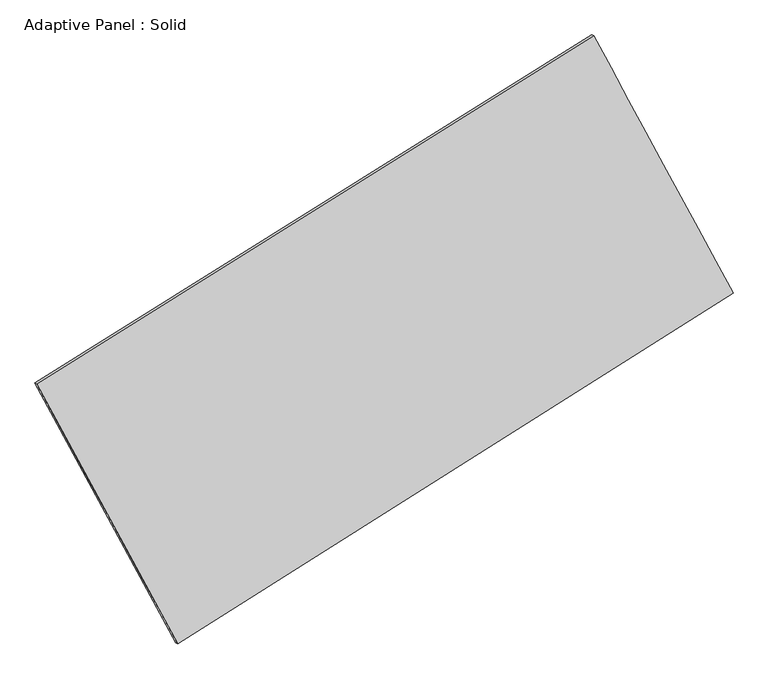
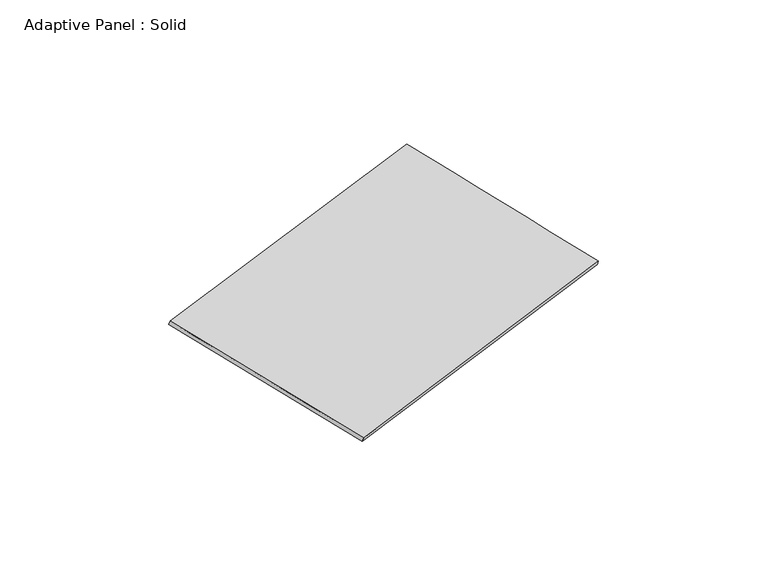
"""IFC4 building model written with IfcOpenShell, lengths in millimetres: plate geometry, Adaptive Panel : Solid."""

from ifc_helpers import new_model, si_unit, frame, origin, place, context, project, spatial, source, transform, mapped, element, save
from ifc_brep_helpers import plane_surface, spline_surface, advanced_brep


def adaptive_panel_solid_493219e2(model_context):
    return source(origin(), model_context, "Body", "AdvancedBrep", [
        advanced_brep(
        [(1182.9651763, 2572.7911217, 668.5132538), (-3719.3227006, -494.456085, 1763.2025222), (-3704.6563447, -500.8361785, 1810.5754303), (1197.6315321, 2566.4110283, 715.8861618), (-2477.7320889, -2782.8270662, 1080.5200432), (-2463.065733, -2789.2071597, 1127.8929513), (2410.799035, 304.2434567, -27.1132991), (2425.4653908, 297.8633633, 20.2596089)],
        [
            (0, 1),
            (1, 2),
            (2, 3),
            (3, 0),
            (1, 4),
            (4, 5),
            (5, 2),
            (4, 6),
            (6, 7),
            (7, 5),
            (6, 0),
            (3, 7),
        ],
        [
            plane_surface(frame((-1268.1787621, 1039.1675183, 1215.857888), z_axis=(-0.4700400761419873, 0.8437422446657874, 0.25915507208382693), x_axis=(-0.832947327760873, -0.5211557192537628, 0.18599856307271295))),
            plane_surface(frame((-3098.5273947, -1638.6415756, 1421.8612827), z_axis=(-0.8379155823238204, -0.511464219687458, 0.1905303883332864), x_axis=(0.46129832141087146, -0.8502171991584233, -0.2536426086419991))),
            plane_surface(frame((-33.4665269, -1239.2918048, 526.7033721), z_axis=(0.4728427107977396, -0.8419805638057274, -0.25978549039319865), x_axis=(0.830420354837742, 0.5244041889357264, -0.18815493854220686))),
            plane_surface(frame((1796.8821056, 1438.5172892, 320.6999774), z_axis=(0.8377297657836438, 0.5118071109084598, -0.1904266807556576), x_axis=(-0.4595766997520088, 0.8491145945578428, 0.26037216124985846))),
            spline_surface(1, 1, [[(-3704.6563447, -500.8361785, 1810.5754303), (1197.6315321, 2566.4110283, 715.8861618)], [(-2463.065733, -2789.2071597, 1127.8929513), (2425.4653908, 297.8633633, 20.2596089)]], [2, 2], [2, 2], [0.0, 1.0], [0.0, 1.0]),
            spline_surface(1, 1, [[(2410.799035, 304.2434567, -27.1132991), (1182.9651763, 2572.7911217, 668.5132538)], [(-2477.7320889, -2782.8270662, 1080.5200432), (-3719.3227006, -494.456085, 1763.2025222)]], [2, 2], [2, 2], [0.0, 1.0], [0.0, 1.0]),
        ],
        [
            (0, [[1, 2, 3, 4]]),
            (1, [[5, 6, 7, -2]]),
            (2, [[8, 9, 10, -6]]),
            (3, [[11, -4, 12, -9]]),
            (4, [[-3, -7, -10, -12]]),
            (5, [[-11, -8, -5, -1]]),
        ],
    ),
    ])


if __name__ == "__main__":
    model = new_model("IFC4")
    model_context = context("Model", 3, world=origin())
    ifc_project = project(units=[si_unit("LENGTHUNIT", "METRE", prefix="MILLI")], contexts=[model_context])
    site = spatial("IfcSite", under=ifc_project)
    building = spatial("IfcBuilding", under=site)
    placement = place(None, origin())
    adaptive_panel_solid_shape = adaptive_panel_solid_493219e2(model_context)
    element("IfcPlate", 1, ObjectType="Adaptive Panel : Solid", at=placement, inside=building, context=model_context, shape_type="MappedRepresentation", body=[
        mapped(adaptive_panel_solid_shape, transform((0.0, 0.0, 0.0), x_axis=(1.0, 0.0, 0.0), y_axis=(0.0, 1.0, 0.0), z_axis=(0.0, 0.0, 1.0))),
    ])
    save(model, "model.ifc")
